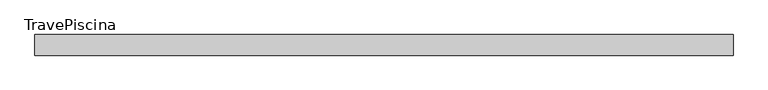
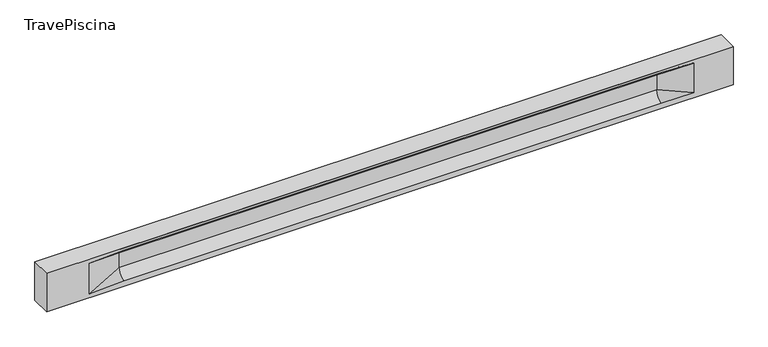
"""IFC4 building model written with IfcOpenShell, lengths in millimetres: beam geometry, TravePiscina."""

from ifc_helpers import new_model, si_unit, frame, origin, place, context, project, spatial, polyline, circle_curve, source, transform, mapped, element, save
from ifc_brep_helpers import plane_surface, revolved_surface, spline_surface, advanced_brep


def travepiscina_e8015a0d(model_context):
    return source(origin(), model_context, "Body", "AdvancedBrep", [
        advanced_brep(
        [(8473.5, -250.0, 500.0), (8473.5, -250.0, -500.0), (8473.5, 250.0, -500.0), (8473.5, 250.0, 500.0), (-8473.5, -250.0, 500.0), (-8473.5, -250.0, -500.0), (7498.5, -250.0, -362.0), (6698.5, -250.0, -360.0), (-6573.5, -250.0, -360.0), (-7423.5, -250.0, -400.0), (-7423.5, -250.0, 400.0), (-6573.5, -250.0, 435.0), (6698.5, -250.0, 435.0), (7498.5, -250.0, 400.0), (-8473.5, 250.0, -500.0), (-8473.5, 250.0, 500.0), (7498.5, 250.0, 400.0), (6698.5, 250.0, 435.0), (-6573.5, 250.0, 435.0), (-7423.5, 250.0, 400.0), (-7423.5, 250.0, -400.0), (-6573.5, 250.0, -360.0), (6698.5, 250.0, -360.0), (7498.5, 250.0, -362.0), (6698.5, 155.0, 405.0), (-6573.5, 155.0, 405.0), (-6573.5, -60.0, 262.777021), (6698.5, -60.0, 262.777021), (6698.5, -155.0, 405.0), (-6573.5, -155.0, 405.0), (-6573.5, 60.0, 262.777021), (6698.5, 60.0, 262.777021), (6698.5, 60.0, -120.0), (-6573.5, 60.0, -120.0), (-6573.5, -60.0, -120.0), (6698.5, -60.0, -120.0)],
        [
            (0, 1),
            (1, 2),
            (2, 3),
            (3, 0),
            (0, 4),
            (4, 5),
            (5, 1),
            (6, 7),
            (7, 8),
            (8, 9),
            (9, 10),
            (10, 11),
            (11, 12),
            (12, 13),
            (13, 6),
            (5, 14),
            (14, 2),
            (14, 15),
            (15, 3),
            (16, 17),
            (17, 18),
            (18, 19),
            (19, 20),
            (20, 21),
            (21, 22),
            (22, 23),
            (23, 16),
            (15, 4),
            (17, 24),
            (24, 25),
            (25, 18),
            (26, 27),
            (27, 28, circle_curve(frame((6698.5, -213.9598725, 262.777021), z_axis=(1.0, 0.0, 0.0), x_axis=(0.0, 1.0, 0.0)), 153.9598725)),
            (28, 29),
            (29, 26, circle_curve(frame((-6573.5, -213.9598725, 262.777021), z_axis=(-1.0, 0.0, 0.0), x_axis=(0.0, 1.0, 0.0)), 153.9598725)),
            (30, 31),
            (31, 32),
            (32, 33),
            (33, 30),
            (28, 12),
            (11, 29),
            (34, 35),
            (35, 27),
            (26, 34),
            (25, 19),
            (22, 32, circle_curve(frame((6698.5, 306.5789474, -120.0), z_axis=(-1.0, 0.0, 0.0), x_axis=(0.0, 1.0, 0.0)), 246.5789474)),
            (32, 23),
            (10, 29),
            (10, 26),
            (13, 28),
            (27, 13),
            (30, 19),
            (25, 30, circle_curve(frame((-6573.5, 213.9598725, 262.777021), z_axis=(1.0, 0.0, 0.0), x_axis=(0.0, 1.0, 0.0)), 153.9598725)),
            (9, 34),
            (8, 34, circle_curve(frame((-6573.5, -306.5789474, -120.0), z_axis=(1.0, 0.0, 0.0), x_axis=(0.0, 1.0, 0.0)), 246.5789474)),
            (20, 33),
            (33, 21, circle_curve(frame((-6573.5, 306.5789474, -120.0), z_axis=(1.0, 0.0, 0.0), x_axis=(0.0, 1.0, 0.0)), 246.5789474)),
            (35, 6),
            (35, 7, circle_curve(frame((6698.5, -306.5789474, -120.0), z_axis=(-1.0, 0.0, 0.0), x_axis=(0.0, 1.0, 0.0)), 246.5789474)),
            (31, 16),
            (31, 24, circle_curve(frame((6698.5, 213.9598725, 262.777021), z_axis=(-1.0, 0.0, 0.0), x_axis=(0.0, 1.0, 0.0)), 153.9598725)),
            (24, 16),
        ],
        [
            plane_surface(frame((8473.5, 0.0, 0.0), z_axis=(1.0, 0.0, 0.0), x_axis=(0.0, 0.0, 1.0))),
            plane_surface(frame((8473.5, -250.0, 500.0), z_axis=(0.0, -1.0, 0.0), x_axis=(-1.0, 0.0, 0.0))),
            plane_surface(frame((8473.5, -250.0, -500.0), z_axis=(0.0, 0.0, -1.0), x_axis=(-1.0, 0.0, 0.0))),
            plane_surface(frame((8473.5, 250.0, -500.0), z_axis=(0.0, 1.0, 0.0), x_axis=(-1.0, 0.0, 0.0))),
            plane_surface(frame((8473.5, 250.0, 500.0), z_axis=(0.0, 0.0, 1.0), x_axis=(-1.0, 0.0, 0.0))),
            plane_surface(frame((-6573.5, 250.0, 435.0), z_axis=(0.0, 0.30113136793710954, -0.9535826651341378), x_axis=(1.0, 0.0, 0.0))),
            plane_surface(frame((-8473.5, 0.0, 0.0), z_axis=(-1.0, 0.0, 0.0), x_axis=(0.0, 0.0, 1.0))),
            revolved_surface(polyline([(6698.5, -60.0, 262.777021), (-6573.5, -60.0, 262.777021)]), (-6573.5, -213.9598725, 262.777021), (1.0, 0.0, 0.0)),
            plane_surface(frame((-6573.5, 60.0, 262.777021), z_axis=(0.0, 1.0, 0.0), x_axis=(1.0, 0.0, 0.0))),
            plane_surface(frame((-6573.5, -155.0, 405.0), z_axis=(0.0, -0.30113136793710693, -0.9535826651341387), x_axis=(1.0, 0.0, 0.0))),
            plane_surface(frame((-6573.5, -60.0, -120.0), z_axis=(0.0, -1.0, 0.0), x_axis=(1.0, 0.0, 0.0))),
            plane_surface(frame((-7423.5, 250.0, 400.0), z_axis=(0.03923493491469434, 0.30089950084952793, -0.9528484193567961), x_axis=(0.0, 0.9535826651341378, 0.30113136793710954))),
            spline_surface(2, 1, [[(6698.5, 250.0, -360.0), (7498.5, 250.0, -362.0)], [(6698.5, 60.00000002887427, -315.20833329480604), (7498.5, 250.0, -362.0)], [(6698.5, 60.0, -120.0), (7498.5, 250.0, -362.0)]], [3, 3], [2, 2], [0.0, 1.0], [0.0, 1.0], weights=[[1.0, 1.0], [0.7840458245391329, 0.7840458245391329], [1.0, 1.0]]),
            plane_surface(frame((-7423.5, -250.0, 400.0), z_axis=(0.03923493491469438, -0.3008995008495253, -0.952848419356797), x_axis=(0.0, 0.9535826651341387, -0.30113136793710693))),
            spline_surface(2, 1, [[(-7423.5, -250.0, 400.0), (-6573.5, -155.0, 405.0)], [(-7423.5, -250.0, 400.0), (-6573.5, -60.00000008030692, 365.6168572114734)], [(-7423.5, -250.0, 400.0), (-6573.5, -60.0, 262.777021)]], [3, 3], [2, 2], [0.0, 1.0], [0.0, 1.0], weights=[[1.0, 1.0], [0.8315515924557569, 0.8315515924557569], [1.0, 1.0]]),
            spline_surface(2, 1, [[(6698.5, -155.0, 405.0), (7498.5, -250.0, 400.0)], [(6698.5, -60.00000008030692, 365.6168572114734), (7498.5, -250.0, 400.0)], [(6698.5, -60.0, 262.777021), (7498.5, -250.0, 400.0)]], [3, 3], [2, 2], [0.0, 1.0], [0.0, 1.0], weights=[[1.0, 1.0], [0.8315515924557569, 0.8315515924557569], [1.0, 1.0]]),
            plane_surface(frame((6698.5, -202.5, 420.0), z_axis=(-0.041682982855687514, -0.30086965068766125, -0.9527538938442274), x_axis=(0.0, 0.9535826651341387, -0.30113136793710693))),
            spline_surface(2, 1, [[(-7423.5, 250.0, 400.0), (-6573.5, 60.0, 262.777021)], [(-7423.5, 250.0, 400.0), (-6573.5, 59.99999995452379, 365.6168572954922)], [(-7423.5, 250.0, 400.0), (-6573.5, 155.0, 405.0)]], [3, 3], [2, 2], [0.0, 1.0], [0.0, 1.0], weights=[[1.0, 1.0], [0.8315515921160737, 0.8315515921160737], [1.0, 1.0]]),
            plane_surface(frame((-7423.5, -250.0, 0.0), z_axis=(0.2181459637070523, -0.9759161534262671, 0.0), x_axis=(0.0, 0.0, -1.0))),
            spline_surface(2, 1, [[(-7423.5, -250.0, -400.0), (-6573.5, -60.0, -120.0)], [(-7423.5, -250.0, -400.0), (-6573.5, -59.99999998020837, -315.20833333333337)], [(-7423.5, -250.0, -400.0), (-6573.5, -250.0, -360.0)]], [3, 3], [2, 2], [0.0, 1.0], [0.0, 1.0], weights=[[1.0, 1.0], [0.7840458244617614, 0.7840458244617614], [1.0, 1.0]]),
            spline_surface(2, 1, [[(-7423.5, 250.0, -400.0), (-6573.5, 250.0, -360.0)], [(-7423.5, 250.0, -400.0), (-6573.5, 60.00000002887427, -315.20833329480604)], [(-7423.5, 250.0, -400.0), (-6573.5, 60.0, -120.0)]], [3, 3], [2, 2], [0.0, 1.0], [0.0, 1.0], weights=[[1.0, 1.0], [0.7840458245391329, 0.7840458245391329], [1.0, 1.0]]),
            plane_surface(frame((-7423.5, 250.0, 0.0), z_axis=(0.21814596370704822, 0.9759161534262681, 0.0), x_axis=(0.0, 0.0, 1.0))),
            plane_surface(frame((6698.5, -60.0, 71.3885105), z_axis=(-0.23107243079589768, -0.9729365507195602, 0.0), x_axis=(0.0, 0.0, -1.0))),
            spline_surface(2, 1, [[(6698.5, -60.0, -120.0), (7498.5, -250.0, -362.0)], [(6698.5, -59.99999998020837, -315.20833333333337), (7498.5, -250.0, -362.0)], [(6698.5, -250.0, -360.0), (7498.5, -250.0, -362.0)]], [3, 3], [2, 2], [0.0, 1.0], [0.0, 1.0], weights=[[1.0, 1.0], [0.7840458244617614, 0.7840458244617614], [1.0, 1.0]]),
            plane_surface(frame((6698.5, 60.0, 71.3885105), z_axis=(-0.2310724307958912, 0.9729365507195616, 0.0), x_axis=(0.0, 0.0, 1.0))),
            spline_surface(2, 1, [[(6698.5, 60.0, 262.777021), (7498.5, 250.0, 400.0)], [(6698.5, 59.99999995452379, 365.6168572954922), (7498.5, 250.0, 400.0)], [(6698.5, 155.0, 405.0), (7498.5, 250.0, 400.0)]], [3, 3], [2, 2], [0.0, 1.0], [0.0, 1.0], weights=[[1.0, 1.0], [0.8315515921160737, 0.8315515921160737], [1.0, 1.0]]),
            plane_surface(frame((6698.5, 202.5, 420.0), z_axis=(-0.04168298285568677, 0.30086965068766386, -0.9527538938442265), x_axis=(0.0, 0.9535826651341378, 0.30113136793710954))),
            revolved_surface(polyline([(6698.5, 367.919745, 262.777021), (-6573.5, 367.919745, 262.777021)]), (-6573.5, 213.9598725, 262.777021), (1.0, 0.0, 0.0)),
            revolved_surface(polyline([(6698.5, 553.1578948, -120.0), (-6573.5, 553.1578948, -120.0)]), (-6573.5, 306.5789474, -120.0), (1.0, 0.0, 0.0)),
            revolved_surface(polyline([(6698.5, -60.0, -120.0), (-6573.5, -60.0, -120.0)]), (-6573.5, -306.5789474, -120.0), (1.0, 0.0, 0.0)),
        ],
        [
            (0, [[1, 2, 3, 4]]),
            (1, [[-1, 5, 6, 7], [8, 9, 10, 11, 12, 13, 14, 15]]),
            (2, [[-2, -7, 16, 17]]),
            (3, [[-3, -17, 18, 19], [20, 21, 22, 23, 24, 25, 26, 27]]),
            (4, [[-5, -4, -19, 28]]),
            (5, [[-21, 29, 30, 31]]),
            (6, [[-28, -18, -16, -6]]),
            (7, [[32, 33, 34, 35]]),
            (8, [[36, 37, 38, 39]]),
            (9, [[-34, 40, -13, 41]]),
            (10, [[42, 43, -32, 44]]),
            (11, [[45, -22, -31]]),
            (12, [[-26, 46, 47]]),
            (13, [[-12, 48, -41]]),
            (14, [[-48, 49, -35]]),
            (15, [[50, -33, 51]]),
            (16, [[-14, -40, -50]]),
            (17, [[52, -45, 53]]),
            (18, [[-49, -11, 54, -44]]),
            (19, [[-54, -10, 55]]),
            (20, [[-24, 56, 57]]),
            (21, [[-52, -39, -56, -23]]),
            (22, [[-51, -43, 58, -15]]),
            (23, [[-58, 59, -8]]),
            (24, [[-47, -37, 60, -27]]),
            (25, [[-60, 61, 62]]),
            (26, [[-62, -29, -20]]),
            (27, [[-30, -61, -36, -53]]),
            (28, [[-38, -46, -25, -57]]),
            (29, [[-9, -59, -42, -55]]),
        ],
    ),
    ])


if __name__ == "__main__":
    model = new_model("IFC4")
    model_context = context("Model", 3, world=origin())
    ifc_project = project(units=[si_unit("LENGTHUNIT", "METRE", prefix="MILLI")], contexts=[model_context])
    site = spatial("IfcSite", under=ifc_project)
    building = spatial("IfcBuilding", under=site)
    placement = place(None, origin())
    travepiscina_shape = travepiscina_e8015a0d(model_context)
    element("IfcBeam", 1, ObjectType="TravePiscina", at=placement, inside=building, context=model_context, shape_type="MappedRepresentation", body=[
        mapped(travepiscina_shape, transform((0.0, 0.0, 0.0), x_axis=(1.0, 0.0, 0.0), y_axis=(0.0, 1.0, 0.0), z_axis=(0.0, 0.0, 1.0))),
    ])
    save(model, "model.ifc")
